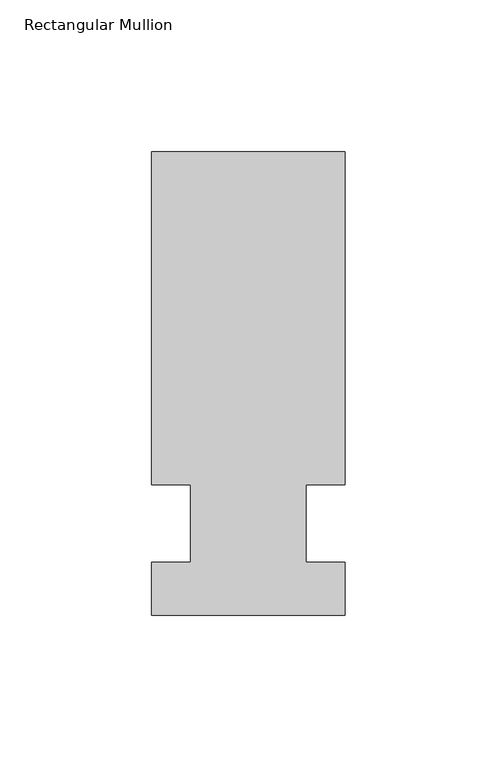
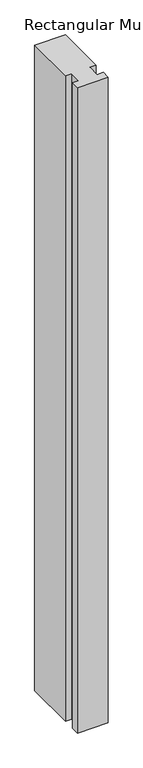
"""IFC4 building model written with IfcOpenShell, lengths in millimetres: member geometry, Rectangular Mullion."""

from ifc_helpers import new_model, si_unit, frame, origin, place, context, project, spatial, polyline, outline, extrude, source, transform, mapped, element, save


def rectangular_mullion_36c2c6ff(model_context):
    return source(origin(), model_context, "Body", "SweptSolid", [
        extrude(outline(polyline([(36.0844027, 122.2375), (36.0844027, 12.7), (23.3826322, 12.7), (23.3826322, -12.7), (36.0844027, -12.7), (36.0844027, -30.1625), (-27.4155973, -30.1625), (-27.4155973, -12.7), (-14.7155973, -12.7), (-14.7155973, 12.7), (-27.4155973, 12.7), (-27.4155973, 122.2375), (36.0844027, 122.2375)])), frame((0.0, 0.0, -1406.6260693), z_axis=(0.0, 0.0, 1.0), x_axis=(1.0, 0.0, 0.0)), (0.0, 0.0, 1.0), 1406.6260693),
    ])


if __name__ == "__main__":
    model = new_model("IFC4")
    model_context = context("Model", 3, world=origin())
    ifc_project = project(units=[si_unit("LENGTHUNIT", "METRE", prefix="MILLI")], contexts=[model_context])
    site = spatial("IfcSite", under=ifc_project)
    building = spatial("IfcBuilding", under=site)
    placement = place(None, origin())
    rectangular_mullion_shape = rectangular_mullion_36c2c6ff(model_context)
    element("IfcMember", 1, ObjectType="Rectangular Mullion", at=placement, inside=building, context=model_context, shape_type="MappedRepresentation", body=[
        mapped(rectangular_mullion_shape, transform((0.0, 0.0, 0.0), x_axis=(1.0, 0.0, 0.0), y_axis=(0.0, 1.0, 0.0), z_axis=(0.0, 0.0, 1.0))),
    ])
    save(model, "model.ifc")
